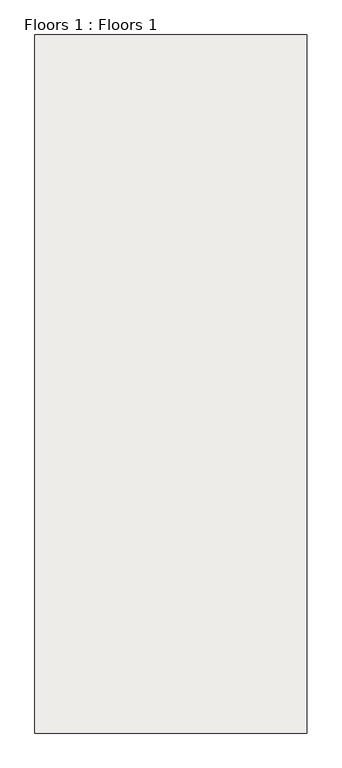
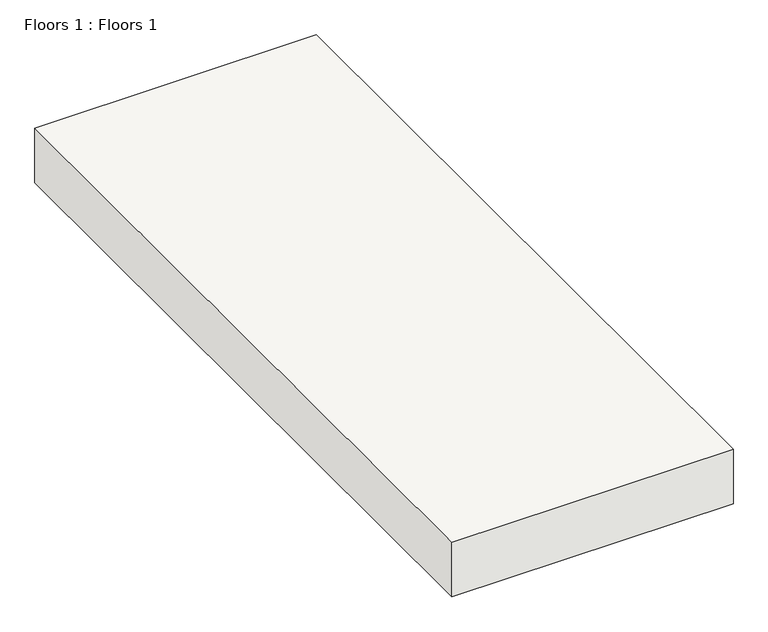
"""IFC4 building model written with IfcOpenShell, lengths in millimetres: slab geometry, Floors 1 : Floors 1."""

import ifcopenshell
import ifcopenshell.guid

model = None  # the IFC model being written
_history = None  # IfcOwnerHistory: only IFC2X3 demands one
_inside = {}  # id of a spatial element -> (the spatial element, [elements in it])
_under = {}  # id of a project, library or spatial element -> (it, [spatial elements below it])
_declared = {}  # id of a project -> (the project, [libraries it declares])
_typed = {}  # id of a type object -> (the type object, [elements of that type])
_made_of = {}  # id of a material, layer set ... -> (it, [elements and type objects made of it])


def new_model(schema):
    """Start an empty IFC model of exactly this schema.

    Asked for "IFC4X3", IfcOpenShell would pick the latest addendum, in which some entities
    have other attributes; the version numbers below select the first issue.
    IFC2X3 requires an IfcOwnerHistory on every rooted entity: one is made here for all.
    """
    global model, _history
    if schema == "IFC4X3":
        model = ifcopenshell.file(schema_version=(4, 3, 0, 0))
    else:
        model = ifcopenshell.file(schema=schema)
    _inside.clear()
    _under.clear()
    _declared.clear()
    _typed.clear()
    _made_of.clear()
    _history = None
    if model.schema == "IFC2X3":
        org = make("IfcOrganization", Name="unknown")
        user = make(
            "IfcPersonAndOrganization",
            ThePerson=make("IfcPerson", FamilyName="unknown"),
            TheOrganization=org,
        )
        app = make(
            "IfcApplication",
            ApplicationDeveloper=org,
            Version="unknown",
            ApplicationFullName="unknown",
            ApplicationIdentifier="unknown",
        )
        _history = make(
            "IfcOwnerHistory",
            OwningUser=user,
            OwningApplication=app,
            ChangeAction="ADDED",
            CreationDate=0,
        )
    return model


def make(cls, **values):
    """One entity of the class cls with the attributes given. An attribute that is None is left unset."""
    return model.create_entity(
        cls, **{name: value for name, value in values.items() if value is not None}
    )


def rooted(cls, **values):
    """An entity with a GlobalId (a new one), such as an element, a storey or a relation."""
    return make(cls, GlobalId=ifcopenshell.guid.new(), OwnerHistory=_history, **values)


def si_unit(unit_type, name, prefix=None):
    """IfcSIUnit, for example si_unit("LENGTHUNIT", "METRE", prefix="MILLI")."""
    return make("IfcSIUnit", UnitType=unit_type, Prefix=prefix, Name=name)


def assignment(units):
    """IfcUnitAssignment: the units of a project."""
    return None if units is None else make("IfcUnitAssignment", Units=units)


def point(xyz):
    """IfcCartesianPoint."""
    return None if xyz is None else make("IfcCartesianPoint", Coordinates=xyz)


def direction(xyz):
    """IfcDirection."""
    return None if xyz is None else make("IfcDirection", DirectionRatios=xyz)


def frame(location, z_axis=None, x_axis=None):
    """IfcAxis2Placement3D, a coordinate frame: its origin and axes. An axis left out is left unset."""
    return make(
        "IfcAxis2Placement3D",
        Location=point(location),
        Axis=direction(z_axis),
        RefDirection=direction(x_axis),
    )


def origin():
    """The frame at (0, 0, 0) with its axes left unset."""
    return frame((0.0, 0.0, 0.0))


def origin_with_axes():
    """The frame at (0, 0, 0) with the z axis (0, 0, 1) and the x axis (1, 0, 0) written out."""
    return frame((0.0, 0.0, 0.0), z_axis=(0.0, 0.0, 1.0), x_axis=(1.0, 0.0, 0.0))


def place(relative_to, where):
    """IfcLocalPlacement: puts the frame where relative to a parent placement (None: the world)."""
    return make(
        "IfcLocalPlacement", PlacementRelTo=relative_to, RelativePlacement=where
    )


def context(
    kind, dimensions, precision=None, world=None, true_north=None, identifier=None
):
    """IfcGeometricRepresentationContext, for example the 3D "Model" context."""
    return make(
        "IfcGeometricRepresentationContext",
        ContextIdentifier=identifier,
        ContextType=kind,
        CoordinateSpaceDimension=dimensions,
        Precision=precision,
        WorldCoordinateSystem=world,
        TrueNorth=true_north,
    )


def project(units=None, contexts=None):
    """IfcProject with its units and contexts."""
    return rooted(
        "IfcProject",
        Name="project",
        RepresentationContexts=contexts,
        UnitsInContext=assignment(units),
    )


def spatial(cls, under=None, at=None, **own):
    """A site, building, storey or space (cls), placed at a placement, below another one or the project."""
    s = rooted(cls, ObjectPlacement=at, **own)
    if under is not None:
        _under.setdefault(under.id(), (under, []))[1].append(s)
    return s


def polyline(points):
    """IfcPolyline through the points."""
    return make("IfcPolyline", Points=[point(p) for p in points])


def outline(outer, holes=None, kind="AREA"):
    """IfcArbitraryClosedProfileDef: a profile drawn as a closed curve; with holes, ...WithVoids."""
    if holes is None:
        return make("IfcArbitraryClosedProfileDef", ProfileType=kind, OuterCurve=outer)
    return make(
        "IfcArbitraryProfileDefWithVoids",
        ProfileType=kind,
        OuterCurve=outer,
        InnerCurves=holes,
    )


def extrude(swept, where, along, depth):
    """IfcExtrudedAreaSolid: the profile swept, set in the frame where, extruded along a direction by depth."""
    return make(
        "IfcExtrudedAreaSolid",
        SweptArea=swept,
        Position=where,
        ExtrudedDirection=direction(along),
        Depth=depth,
    )


def shape(context_of_items, identifier, shape_type, items):
    """IfcShapeRepresentation: the items that make up one representation, for example the "Body"."""
    return make(
        "IfcShapeRepresentation",
        ContextOfItems=context_of_items,
        RepresentationIdentifier=identifier,
        RepresentationType=shape_type,
        Items=items,
    )


def source(mapping_origin, context_of_items, identifier, shape_type, items):
    """IfcRepresentationMap: a shape defined once, which mapped items show again and again."""
    return make(
        "IfcRepresentationMap",
        MappingOrigin=mapping_origin,
        MappedRepresentation=shape(context_of_items, identifier, shape_type, items),
    )


def transform(
    local_origin,
    x_axis=None,
    y_axis=None,
    z_axis=None,
    scale=None,
    scale2=None,
    scale3=None,
    uniform=True,
):
    """IfcCartesianTransformationOperator3D, or its non-uniform kind. x_axis, y_axis, z_axis: its Axis1, 2, 3."""
    if uniform:
        return make(
            "IfcCartesianTransformationOperator3D",
            Axis1=direction(x_axis),
            Axis2=direction(y_axis),
            LocalOrigin=point(local_origin),
            Scale=scale,
            Axis3=direction(z_axis),
        )
    return make(
        "IfcCartesianTransformationOperator3DnonUniform",
        Axis1=direction(x_axis),
        Axis2=direction(y_axis),
        LocalOrigin=point(local_origin),
        Scale=scale,
        Axis3=direction(z_axis),
        Scale2=scale2,
        Scale3=scale3,
    )


def mapped(mapping_source, mapping_target):
    """IfcMappedItem: shows the shape of a source again, moved by a transform."""
    return make(
        "IfcMappedItem", MappingSource=mapping_source, MappingTarget=mapping_target
    )


def made_of(thing, what):
    """Note that an element or type object is made of a material, layer set ...; save() writes the relation."""
    if what is not None:
        _made_of.setdefault(what.id(), (what, []))[1].append(thing)
    return thing


def element(
    cls,
    number,
    at=None,
    inside=None,
    cuts=None,
    type_object=None,
    material=None,
    context=None,
    identifier="Body",
    shape_type=None,
    held_by="IfcProductDefinitionShape",
    body=None,
    shapes=None,
    **own,
):
    """One element of the class cls, such as IfcWall. Its Tag is "e" and its number.

    at: its placement. inside: the storey or other place that contains it. cuts: it is an
    opening in that element (IfcRelVoidsElement). A single representation is given by context,
    identifier, shape_type and body (its items); several are given by shapes. held_by: the class
    of the entity that holds the representations. save() writes the other relations.
    """
    e = rooted(cls, Tag="e%d" % number, ObjectPlacement=at, **own)
    if body is not None:
        shapes = [shape(context, identifier, shape_type, body)]
    if shapes is not None:
        e.Representation = make(held_by, Representations=shapes)
    if inside is not None:
        _inside.setdefault(inside.id(), (inside, []))[1].append(e)
    if cuts is not None:
        rooted(
            "IfcRelVoidsElement", RelatingBuildingElement=cuts, RelatedOpeningElement=e
        )
    if type_object is not None:
        _typed.setdefault(type_object.id(), (type_object, []))[1].append(e)
    return made_of(e, material)


def aggregate(whole, parts):
    """IfcRelAggregates: a whole, such as a stair, and the parts it consists of."""
    return rooted("IfcRelAggregates", RelatingObject=whole, RelatedObjects=parts)


def save(model, path):
    """Write the relations noted so far, then the file.

    IfcRelAggregates (storeys below a building ...), IfcRelContainedInSpatialStructure (elements
    in a storey), IfcRelDefinesByType, IfcRelAssociatesMaterial and IfcRelDeclares: one each for
    every whole, place, type object, material and project.
    """
    for whole, parts in _under.values():
        aggregate(whole, parts)
    for where, things in _inside.values():
        rooted(
            "IfcRelContainedInSpatialStructure",
            RelatedElements=things,
            RelatingStructure=where,
        )
    for kind, things in _typed.values():
        rooted("IfcRelDefinesByType", RelatedObjects=things, RelatingType=kind)
    for what, things in _made_of.values():
        rooted("IfcRelAssociatesMaterial", RelatedObjects=things, RelatingMaterial=what)
    for by, libraries in _declared.values():
        rooted("IfcRelDeclares", RelatingContext=by, RelatedDefinitions=libraries)
    model.write(path)


def floors_1_floors_1_9ab831ff(model_context):
    return source(origin(), model_context, "Body", "SweptSolid", [
        extrude(outline(polyline([(9672.0415057, 1506.0814154), (9672.0415057, -2303.9050403), (8187.8489588, -2303.9050403), (8187.8489588, 1506.0814154), (9672.0415057, 1506.0814154)])), origin_with_axes(), (0.0, 0.0, 1.0), 304.8),
    ])


if __name__ == "__main__":
    model = new_model("IFC4")
    model_context = context("Model", 3, world=origin())
    ifc_project = project(units=[si_unit("LENGTHUNIT", "METRE", prefix="MILLI")], contexts=[model_context])
    site = spatial("IfcSite", under=ifc_project)
    building = spatial("IfcBuilding", under=site)
    placement = place(None, origin())
    floors_1_floors_1_shape = floors_1_floors_1_9ab831ff(model_context)
    element("IfcSlab", 1, ObjectType="Floors 1 : Floors 1", at=placement, inside=building, context=model_context, shape_type="MappedRepresentation", body=[
        mapped(floors_1_floors_1_shape, transform((0.0, 0.0, 0.0), x_axis=(1.0, 0.0, 0.0), y_axis=(0.0, 1.0, 0.0), z_axis=(0.0, 0.0, 1.0))),
    ])
    save(model, "model.ifc")
